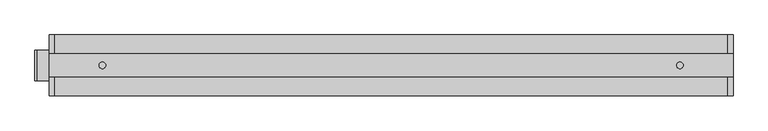
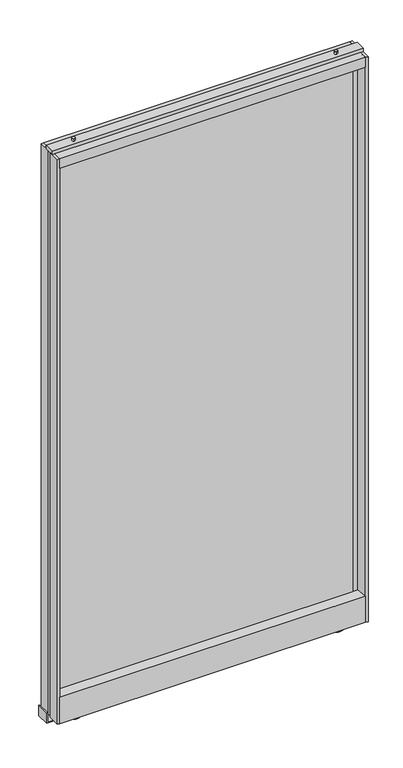
"""IFC4 building model written with IfcOpenShell, lengths in millimetres: furniture geometry."""

from ifc_helpers import new_model, si_unit, point, frame, frame_2d, origin, origin_with_axes, place, context, project, spatial, polyline, circle_curve, trimmed, segment, composite_curve, outline, extrude, source, transform, mapped, element, save


def furniture_301d5981(model_context):
    return source(origin(), model_context, "Body", "SweptSolid", [
        extrude(outline(composite_curve([segment(trimmed(circle_curve(frame_2d((139.700003, 0.0)), 23.7499993), [point((115.9500038, 0.0))], [point((163.4500023, 0.0))], False, "CARTESIAN"), True, "CONTINUOUS"), segment(trimmed(circle_curve(frame_2d((139.700003, 0.0)), 23.7499993), [point((163.4500023, 0.0))], [point((115.9500038, 0.0))], False, "CARTESIAN"), True, "CONTINUOUS")], self_intersect=False)), origin_with_axes(), (0.0, 0.0, 1.0), 25.146001),
        extrude(outline(composite_curve([segment(trimmed(circle_curve(frame_2d((1104.8999879, 0.0)), 23.7499993), [point((1081.1499886, 0.0))], [point((1128.6499872, 0.0))], False, "CARTESIAN"), True, "CONTINUOUS"), segment(trimmed(circle_curve(frame_2d((1104.8999879, 0.0)), 23.7499993), [point((1128.6499872, 0.0))], [point((1081.1499886, 0.0))], False, "CARTESIAN"), True, "CONTINUOUS")], self_intersect=False)), origin_with_axes(), (0.0, 0.0, 1.0), 25.146001),
        extrude(outline(composite_curve([segment(trimmed(circle_curve(frame_2d((139.700003, 0.0)), 5.5562498), [point((139.700003, 5.5562498))], [point((139.700003, -5.5562498))], False, "CARTESIAN"), True, "CONTINUOUS"), segment(trimmed(circle_curve(frame_2d((139.700003, 0.0)), 5.5562498), [point((139.700003, -5.5562498))], [point((139.700003, 5.5562498))], False, "CARTESIAN"), True, "CONTINUOUS")], self_intersect=False)), frame((0.0, 0.0, 2234.9460097), z_axis=(0.0, 0.0, 1.0), x_axis=(1.0, 0.0, 0.0)), (0.0, 0.0, 1.0), 10.1599903),
        extrude(outline(composite_curve([segment(trimmed(circle_curve(frame_2d((1104.8999879, 0.0)), 5.5562498), [point((1104.8999879, 5.5562498))], [point((1104.8999879, -5.5562498))], False, "CARTESIAN"), True, "CONTINUOUS"), segment(trimmed(circle_curve(frame_2d((1104.8999879, 0.0)), 5.5562498), [point((1104.8999879, -5.5562498))], [point((1104.8999879, 5.5562498))], False, "CARTESIAN"), True, "CONTINUOUS")], self_intersect=False)), frame((0.0, 0.0, 2234.9460097), z_axis=(0.0, 0.0, 1.0), x_axis=(1.0, 0.0, 0.0)), (0.0, 0.0, 1.0), 10.1599903),
        extrude(outline(polyline([(1162.0846151, 7.9374998), (1162.0846151, -7.9374998), (82.5153849, -7.9374998), (82.5153849, 7.9374998), (1162.0846151, 7.9374998)])), frame((0.0, 0.0, 126.7459972), z_axis=(0.0, 0.0, 1.0), x_axis=(1.0, 0.0, 0.0)), (0.0, 0.0, 1.0), 2067.8139602),
        extrude(outline(polyline([(60.3250015, -50.8), (60.3250015, 50.8), (1184.2749758, 50.8), (1184.2749758, -50.8), (60.3250015, -50.8)])), frame((0.0, 0.0, 25.146001), z_axis=(0.0, 0.0, 1.0), x_axis=(1.0, 0.0, 0.0)), (0.0, 0.0, 1.0), 101.5999962),
        extrude(outline(polyline([(60.3250015, -50.8), (60.3250015, 50.8), (1184.2749758, 50.8), (1184.2749758, -50.8), (60.3250015, -50.8)])), frame((0.0, 0.0, 2184.1460581), z_axis=(0.0, 0.0, 1.0), x_axis=(1.0, 0.0, 0.0)), (0.0, 0.0, 1.0), 38.1),
        extrude(outline(polyline([(50.8, -19.05), (50.8, 19.05), (1193.8, 19.05), (1193.8, -19.05), (50.8, -19.05)])), frame((0.0, 0.0, 2222.2460581), z_axis=(0.0, 0.0, 1.0), x_axis=(1.0, 0.0, 0.0)), (0.0, 0.0, 1.0), 12.6999516),
        extrude(outline(polyline([(60.3250015, 50.8), (64.0749816, 7.9374998), (82.5153849, 7.9374998), (82.5153849, -7.9374998), (64.0749816, -7.9374998), (60.3250014, -50.8), (50.8, -50.8), (50.8, -7.112), (57.15, -7.112), (57.15, 7.112), (50.8, 7.112), (50.8, 50.8), (60.3250015, 50.8)])), frame((0.0, 0.0, 25.146001), z_axis=(0.0, 0.0, 1.0), x_axis=(1.0, 0.0, 0.0)), (0.0, 0.0, 1.0), 2197.1000571),
        extrude(outline(polyline([(1193.8, -7.112), (1193.8, -50.8), (1184.2749758, -50.8), (1180.5249866, -7.9374998), (1162.0846151, -7.9374998), (1162.0846151, 7.9374998), (1180.5249866, 7.9374998), (1184.2749758, 50.8), (1193.8, 50.8), (1193.8, 7.112), (1187.45, 7.112), (1187.45, -7.112), (1193.8, -7.112)])), frame((0.0, 0.0, 25.146001), z_axis=(0.0, 0.0, 1.0), x_axis=(1.0, 0.0, 0.0)), (0.0, 0.0, 1.0), 2197.1000571),
        extrude(outline(polyline([(61.7855001, 30.0355009), (61.7855001, 26.9874992), (22.0979994, 26.9874992), (22.0979994, 177.7999939), (25.146001, 177.7999939), (25.146001, 30.0355009), (61.7855001, 30.0355009)])), frame((0.0, -25.4, 0.0), z_axis=(0.0, 1.0, 0.0), x_axis=(0.0, 0.0, 1.0)), (0.0, 0.0, 1.0), 50.8),
    ])


if __name__ == "__main__":
    model = new_model("IFC4")
    model_context = context("Model", 3, world=origin())
    ifc_project = project(units=[si_unit("LENGTHUNIT", "METRE", prefix="MILLI")], contexts=[model_context])
    site = spatial("IfcSite", under=ifc_project)
    building = spatial("IfcBuilding", under=site)
    placement = place(None, origin())
    furniture_shape = furniture_301d5981(model_context)
    element("IfcFurniture", 1, at=placement, inside=building, context=model_context, shape_type="MappedRepresentation", body=[
        mapped(furniture_shape, transform((0.0, 0.0, 0.0), x_axis=(1.0, 0.0, 0.0), y_axis=(0.0, 1.0, 0.0), z_axis=(0.0, 0.0, 1.0))),
    ])
    save(model, "model.ifc")
